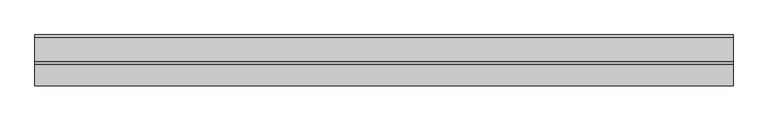
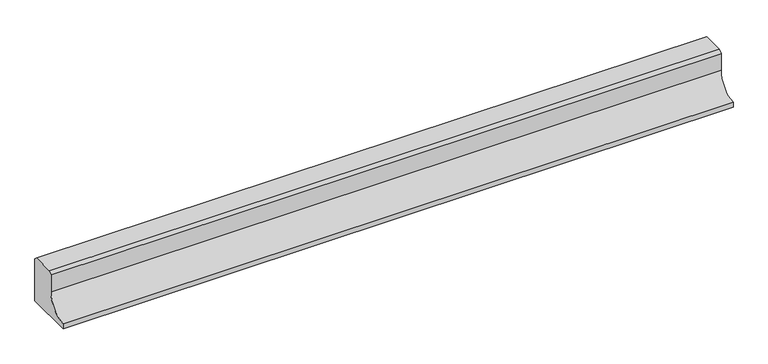
"""IFC4 building model written with IfcOpenShell, lengths in millimetres: proxy geometry."""

import ifcopenshell
import ifcopenshell.guid

model = None  # the IFC model being written
_history = None  # IfcOwnerHistory: only IFC2X3 demands one
_inside = {}  # id of a spatial element -> (the spatial element, [elements in it])
_under = {}  # id of a project, library or spatial element -> (it, [spatial elements below it])
_declared = {}  # id of a project -> (the project, [libraries it declares])
_typed = {}  # id of a type object -> (the type object, [elements of that type])
_made_of = {}  # id of a material, layer set ... -> (it, [elements and type objects made of it])


def new_model(schema):
    """Start an empty IFC model of exactly this schema.

    Asked for "IFC4X3", IfcOpenShell would pick the latest addendum, in which some entities
    have other attributes; the version numbers below select the first issue.
    IFC2X3 requires an IfcOwnerHistory on every rooted entity: one is made here for all.
    """
    global model, _history
    if schema == "IFC4X3":
        model = ifcopenshell.file(schema_version=(4, 3, 0, 0))
    else:
        model = ifcopenshell.file(schema=schema)
    _inside.clear()
    _under.clear()
    _declared.clear()
    _typed.clear()
    _made_of.clear()
    _history = None
    if model.schema == "IFC2X3":
        org = make("IfcOrganization", Name="unknown")
        user = make(
            "IfcPersonAndOrganization",
            ThePerson=make("IfcPerson", FamilyName="unknown"),
            TheOrganization=org,
        )
        app = make(
            "IfcApplication",
            ApplicationDeveloper=org,
            Version="unknown",
            ApplicationFullName="unknown",
            ApplicationIdentifier="unknown",
        )
        _history = make(
            "IfcOwnerHistory",
            OwningUser=user,
            OwningApplication=app,
            ChangeAction="ADDED",
            CreationDate=0,
        )
    return model


def make(cls, **values):
    """One entity of the class cls with the attributes given. An attribute that is None is left unset."""
    return model.create_entity(
        cls, **{name: value for name, value in values.items() if value is not None}
    )


def rooted(cls, **values):
    """An entity with a GlobalId (a new one), such as an element, a storey or a relation."""
    return make(cls, GlobalId=ifcopenshell.guid.new(), OwnerHistory=_history, **values)


def si_unit(unit_type, name, prefix=None):
    """IfcSIUnit, for example si_unit("LENGTHUNIT", "METRE", prefix="MILLI")."""
    return make("IfcSIUnit", UnitType=unit_type, Prefix=prefix, Name=name)


def assignment(units):
    """IfcUnitAssignment: the units of a project."""
    return None if units is None else make("IfcUnitAssignment", Units=units)


def point(xyz):
    """IfcCartesianPoint."""
    return None if xyz is None else make("IfcCartesianPoint", Coordinates=xyz)


def direction(xyz):
    """IfcDirection."""
    return None if xyz is None else make("IfcDirection", DirectionRatios=xyz)


def frame(location, z_axis=None, x_axis=None):
    """IfcAxis2Placement3D, a coordinate frame: its origin and axes. An axis left out is left unset."""
    return make(
        "IfcAxis2Placement3D",
        Location=point(location),
        Axis=direction(z_axis),
        RefDirection=direction(x_axis),
    )


def frame_2d(location, x_axis=None):
    """IfcAxis2Placement2D, a coordinate frame in the plane: its origin and x axis."""
    return make(
        "IfcAxis2Placement2D", Location=point(location), RefDirection=direction(x_axis)
    )


def origin():
    """The frame at (0, 0, 0) with its axes left unset."""
    return frame((0.0, 0.0, 0.0))


def place(relative_to, where):
    """IfcLocalPlacement: puts the frame where relative to a parent placement (None: the world)."""
    return make(
        "IfcLocalPlacement", PlacementRelTo=relative_to, RelativePlacement=where
    )


def context(
    kind, dimensions, precision=None, world=None, true_north=None, identifier=None
):
    """IfcGeometricRepresentationContext, for example the 3D "Model" context."""
    return make(
        "IfcGeometricRepresentationContext",
        ContextIdentifier=identifier,
        ContextType=kind,
        CoordinateSpaceDimension=dimensions,
        Precision=precision,
        WorldCoordinateSystem=world,
        TrueNorth=true_north,
    )


def project(units=None, contexts=None):
    """IfcProject with its units and contexts."""
    return rooted(
        "IfcProject",
        Name="project",
        RepresentationContexts=contexts,
        UnitsInContext=assignment(units),
    )


def spatial(cls, under=None, at=None, **own):
    """A site, building, storey or space (cls), placed at a placement, below another one or the project."""
    s = rooted(cls, ObjectPlacement=at, **own)
    if under is not None:
        _under.setdefault(under.id(), (under, []))[1].append(s)
    return s


def polyline(points):
    """IfcPolyline through the points."""
    return make("IfcPolyline", Points=[point(p) for p in points])


def circle_curve(where, radius):
    """IfcCircle in the frame where."""
    return make("IfcCircle", Position=where, Radius=radius)


def trimmed(basis, trim1, trim2, sense, master):
    """IfcTrimmedCurve: the piece of a basis curve between two trims."""
    return make(
        "IfcTrimmedCurve",
        BasisCurve=basis,
        Trim1=trim1,
        Trim2=trim2,
        SenseAgreement=sense,
        MasterRepresentation=master,
    )


def segment(curve, same_sense, transition):
    """IfcCompositeCurveSegment."""
    return make(
        "IfcCompositeCurveSegment",
        Transition=transition,
        SameSense=same_sense,
        ParentCurve=curve,
    )


def composite_curve(segments, self_intersect=None):
    """IfcCompositeCurve: segments joined end to end."""
    return make("IfcCompositeCurve", Segments=segments, SelfIntersect=self_intersect)


def outline(outer, holes=None, kind="AREA"):
    """IfcArbitraryClosedProfileDef: a profile drawn as a closed curve; with holes, ...WithVoids."""
    if holes is None:
        return make("IfcArbitraryClosedProfileDef", ProfileType=kind, OuterCurve=outer)
    return make(
        "IfcArbitraryProfileDefWithVoids",
        ProfileType=kind,
        OuterCurve=outer,
        InnerCurves=holes,
    )


def extrude(swept, where, along, depth):
    """IfcExtrudedAreaSolid: the profile swept, set in the frame where, extruded along a direction by depth."""
    return make(
        "IfcExtrudedAreaSolid",
        SweptArea=swept,
        Position=where,
        ExtrudedDirection=direction(along),
        Depth=depth,
    )


def shape(context_of_items, identifier, shape_type, items):
    """IfcShapeRepresentation: the items that make up one representation, for example the "Body"."""
    return make(
        "IfcShapeRepresentation",
        ContextOfItems=context_of_items,
        RepresentationIdentifier=identifier,
        RepresentationType=shape_type,
        Items=items,
    )


def source(mapping_origin, context_of_items, identifier, shape_type, items):
    """IfcRepresentationMap: a shape defined once, which mapped items show again and again."""
    return make(
        "IfcRepresentationMap",
        MappingOrigin=mapping_origin,
        MappedRepresentation=shape(context_of_items, identifier, shape_type, items),
    )


def transform(
    local_origin,
    x_axis=None,
    y_axis=None,
    z_axis=None,
    scale=None,
    scale2=None,
    scale3=None,
    uniform=True,
):
    """IfcCartesianTransformationOperator3D, or its non-uniform kind. x_axis, y_axis, z_axis: its Axis1, 2, 3."""
    if uniform:
        return make(
            "IfcCartesianTransformationOperator3D",
            Axis1=direction(x_axis),
            Axis2=direction(y_axis),
            LocalOrigin=point(local_origin),
            Scale=scale,
            Axis3=direction(z_axis),
        )
    return make(
        "IfcCartesianTransformationOperator3DnonUniform",
        Axis1=direction(x_axis),
        Axis2=direction(y_axis),
        LocalOrigin=point(local_origin),
        Scale=scale,
        Axis3=direction(z_axis),
        Scale2=scale2,
        Scale3=scale3,
    )


def mapped(mapping_source, mapping_target):
    """IfcMappedItem: shows the shape of a source again, moved by a transform."""
    return make(
        "IfcMappedItem", MappingSource=mapping_source, MappingTarget=mapping_target
    )


def made_of(thing, what):
    """Note that an element or type object is made of a material, layer set ...; save() writes the relation."""
    if what is not None:
        _made_of.setdefault(what.id(), (what, []))[1].append(thing)
    return thing


def element(
    cls,
    number,
    at=None,
    inside=None,
    cuts=None,
    type_object=None,
    material=None,
    context=None,
    identifier="Body",
    shape_type=None,
    held_by="IfcProductDefinitionShape",
    body=None,
    shapes=None,
    **own,
):
    """One element of the class cls, such as IfcWall. Its Tag is "e" and its number.

    at: its placement. inside: the storey or other place that contains it. cuts: it is an
    opening in that element (IfcRelVoidsElement). A single representation is given by context,
    identifier, shape_type and body (its items); several are given by shapes. held_by: the class
    of the entity that holds the representations. save() writes the other relations.
    """
    e = rooted(cls, Tag="e%d" % number, ObjectPlacement=at, **own)
    if body is not None:
        shapes = [shape(context, identifier, shape_type, body)]
    if shapes is not None:
        e.Representation = make(held_by, Representations=shapes)
    if inside is not None:
        _inside.setdefault(inside.id(), (inside, []))[1].append(e)
    if cuts is not None:
        rooted(
            "IfcRelVoidsElement", RelatingBuildingElement=cuts, RelatedOpeningElement=e
        )
    if type_object is not None:
        _typed.setdefault(type_object.id(), (type_object, []))[1].append(e)
    return made_of(e, material)


def aggregate(whole, parts):
    """IfcRelAggregates: a whole, such as a stair, and the parts it consists of."""
    return rooted("IfcRelAggregates", RelatingObject=whole, RelatedObjects=parts)


def save(model, path):
    """Write the relations noted so far, then the file.

    IfcRelAggregates (storeys below a building ...), IfcRelContainedInSpatialStructure (elements
    in a storey), IfcRelDefinesByType, IfcRelAssociatesMaterial and IfcRelDeclares: one each for
    every whole, place, type object, material and project.
    """
    for whole, parts in _under.values():
        aggregate(whole, parts)
    for where, things in _inside.values():
        rooted(
            "IfcRelContainedInSpatialStructure",
            RelatedElements=things,
            RelatingStructure=where,
        )
    for kind, things in _typed.values():
        rooted("IfcRelDefinesByType", RelatedObjects=things, RelatingType=kind)
    for what, things in _made_of.values():
        rooted("IfcRelAssociatesMaterial", RelatedObjects=things, RelatingMaterial=what)
    for by, libraries in _declared.values():
        rooted("IfcRelDeclares", RelatingContext=by, RelatedDefinitions=libraries)
    model.write(path)


def generic_models_02517ce2(model_context):
    return source(origin(), model_context, "Body", "SweptSolid", [
        extrude(outline(composite_curve([segment(polyline([(-1155.0540151, 138.3316546), (-1144.7856698, 148.6), (-1065.3223642, 148.6), (-1055.0540151, 138.3316509), (-1055.0540151, -20.0), (-1230.0540151, -20.0), (-1230.0540151, 0.0)]), True, "CONTINUOUS"), segment(trimmed(circle_curve(frame_2d((-1230.0540151, 75.0)), 75.0), [point((-1230.0540151, 0.0))], [point((-1155.0540151, 75.0))], True, "CARTESIAN"), True, "CONTINUOUS"), segment(polyline([(-1155.0540151, 75.0), (-1155.0540151, 138.3316546)]), True, "CONTINUOUS")], self_intersect=False)), frame((-7962.3579656, 0.0, 0.0), z_axis=(1.0, 0.0, 0.0), x_axis=(0.0, 1.0, 0.0)), (0.0, 0.0, 1.0), 2400.0),
    ])


if __name__ == "__main__":
    model = new_model("IFC4")
    model_context = context("Model", 3, world=origin())
    ifc_project = project(units=[si_unit("LENGTHUNIT", "METRE", prefix="MILLI")], contexts=[model_context])
    site = spatial("IfcSite", under=ifc_project)
    building = spatial("IfcBuilding", under=site)
    placement = place(None, origin())
    generic_models_shape = generic_models_02517ce2(model_context)
    element("IfcBuildingElementProxy", 1, Name="Generic Models", at=placement, inside=building, context=model_context, shape_type="MappedRepresentation", body=[
        mapped(generic_models_shape, transform((0.0, 0.0, 0.0), x_axis=(1.0, 0.0, 0.0), y_axis=(0.0, 1.0, 0.0), z_axis=(0.0, 0.0, 1.0))),
    ])
    save(model, "model.ifc")
